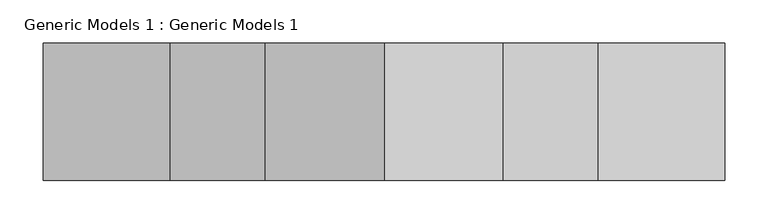
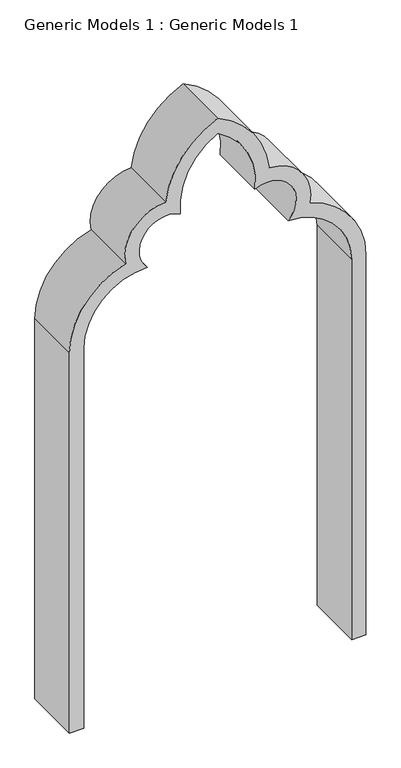
"""IFC4 building model written with IfcOpenShell, lengths in millimetres: proxy geometry, Generic Models 1 : Generic Models 1."""

from ifc_helpers import new_model, si_unit, point, frame, frame_2d, origin, place, context, project, spatial, polyline, circle_curve, trimmed, segment, composite_curve, outline, extrude, source, transform, mapped, element, save


def generic_models_1_generic_models_1_26eea711(model_context):
    return source(origin(), model_context, "Body", "SweptSolid", [
        extrude(outline(composite_curve([segment(trimmed(circle_curve(frame_2d((1066.8, -4154.0296186)), 206.6086474), [point((1066.8, -3947.4209712))], [point((1265.2353974, -4096.492446))], False, "CARTESIAN"), True, "CONTINUOUS"), segment(trimmed(circle_curve(frame_2d((1288.2307758, -4207.3793513)), 113.2461619), [point((1265.2353974, -4096.492446))], [point((1401.4190682, -4203.7594532))], False, "CARTESIAN"), True, "CONTINUOUS"), segment(trimmed(circle_curve(frame_2d((1377.638402, -4432.1040826)), 229.5795937), [point((1401.4190682, -4203.7594532))], [point((1588.4199555, -4341.1209712))], False, "CARTESIAN"), True, "CONTINUOUS"), segment(trimmed(circle_curve(frame_2d((1377.638402, -4250.1378598)), 229.5795937), [point((1588.4199555, -4341.1209712))], [point((1401.4190682, -4478.4824891))], False, "CARTESIAN"), True, "CONTINUOUS"), segment(trimmed(circle_curve(frame_2d((1288.2307758, -4474.8625911)), 113.2461619), [point((1401.4190682, -4478.4824891))], [point((1265.2353974, -4585.7494964))], False, "CARTESIAN"), True, "CONTINUOUS"), segment(trimmed(circle_curve(frame_2d((1066.8, -4528.2123238)), 206.6086474), [point((1265.2353974, -4585.7494964))], [point((1066.8, -4734.8209712))], False, "CARTESIAN"), True, "CONTINUOUS"), segment(polyline([(1066.8, -4734.8209712), (0.0, -4734.8209712), (0.0, -4696.7209712), (1066.8, -4696.7209712)]), True, "CONTINUOUS"), segment(trimmed(circle_curve(frame_2d((1066.8, -4528.2123238)), 168.5086474), [point((1066.8, -4696.7209712))], [point((1235.3086474, -4528.2123238))], True, "CARTESIAN"), True, "CONTINUOUS"), segment(trimmed(circle_curve(frame_2d((1288.2307758, -4474.8625911)), 75.1461619), [point((1235.3086474, -4528.2123238))], [point((1354.9399466, -4440.2673286))], True, "CARTESIAN"), True, "CONTINUOUS"), segment(trimmed(circle_curve(frame_2d((1377.638402, -4250.1378598)), 191.4795937), [point((1354.9399466, -4440.2673286))], [point((1546.1213633, -4341.1209712))], True, "CARTESIAN"), True, "CONTINUOUS"), segment(trimmed(circle_curve(frame_2d((1377.638402, -4432.1040826)), 191.4795937), [point((1546.1213633, -4341.1209712))], [point((1354.9399466, -4241.9746137))], True, "CARTESIAN"), True, "CONTINUOUS"), segment(trimmed(circle_curve(frame_2d((1288.2307758, -4207.3793513)), 75.1461619), [point((1354.9399466, -4241.9746137))], [point((1235.3086474, -4154.0296186))], True, "CARTESIAN"), True, "CONTINUOUS"), segment(trimmed(circle_curve(frame_2d((1066.8, -4154.0296186)), 168.5086474), [point((1235.3086474, -4154.0296186))], [point((1066.8, -3985.5209712))], True, "CARTESIAN"), True, "CONTINUOUS"), segment(polyline([(1066.8, -3985.5209712), (0.0, -3985.5209712), (0.0, -3947.4209712), (1066.8, -3947.4209712)]), True, "CONTINUOUS")], self_intersect=False)), frame((0.0, 5654.0052344, 0.0), z_axis=(0.0, 1.0, 0.0), x_axis=(0.0, 0.0, 1.0)), (0.0, 0.0, 1.0), 158.75),
    ])


if __name__ == "__main__":
    model = new_model("IFC4")
    model_context = context("Model", 3, world=origin())
    ifc_project = project(units=[si_unit("LENGTHUNIT", "METRE", prefix="MILLI")], contexts=[model_context])
    site = spatial("IfcSite", under=ifc_project)
    building = spatial("IfcBuilding", under=site)
    placement = place(None, origin())
    generic_models_1_generic_models_1_shape = generic_models_1_generic_models_1_26eea711(model_context)
    element("IfcBuildingElementProxy", 1, Name="Generic Models 1 : Generic Models 1", ObjectType="Generic Models 1 : Generic Models 1", at=placement, inside=building, context=model_context, shape_type="MappedRepresentation", body=[
        mapped(generic_models_1_generic_models_1_shape, transform((0.0, 0.0, 0.0), x_axis=(1.0, 0.0, 0.0), y_axis=(0.0, 1.0, 0.0), z_axis=(0.0, 0.0, 1.0))),
    ])
    save(model, "model.ifc")
